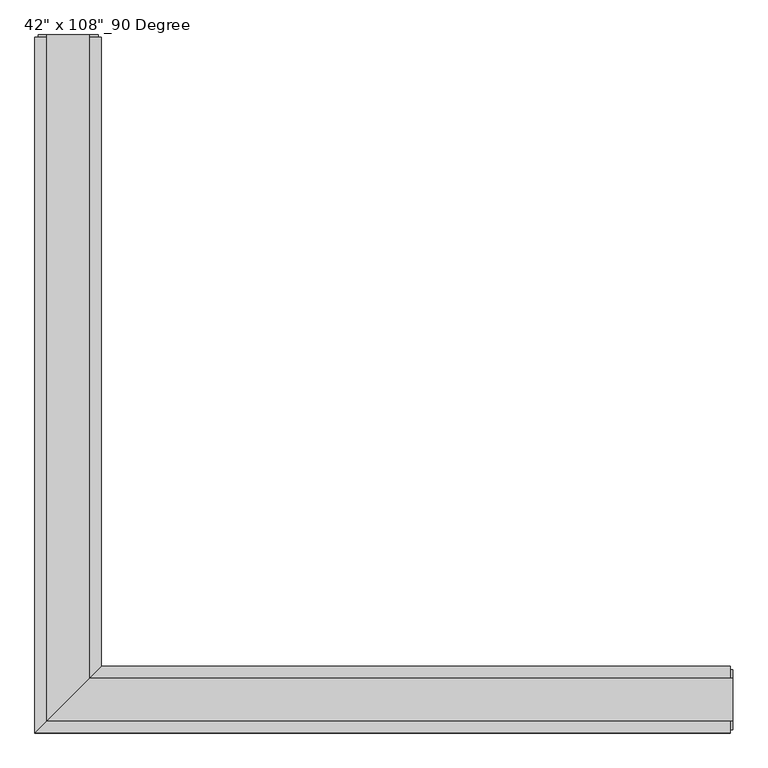
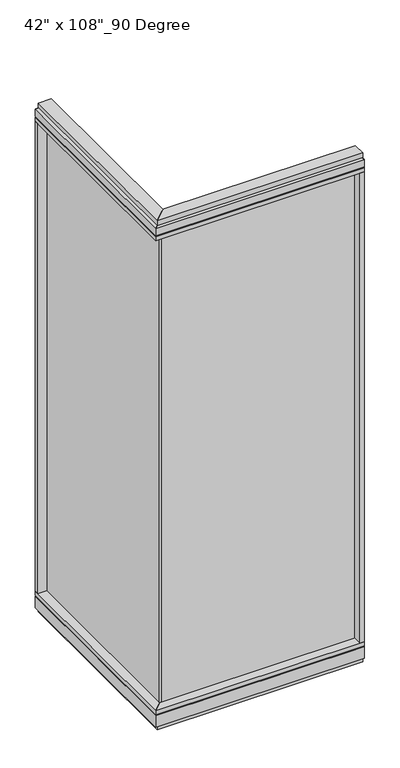
"""IFC4 building model written with IfcOpenShell, lengths in millimetres: furniture geometry."""

from ifc_helpers import new_model, si_unit, frame, origin, origin_with_axes, place, context, project, spatial, polyline, outline, extrude, faceted_brep, source, transform, mapped, element, save


def furniture_058fbf91(model_context):
    return source(origin(), model_context, "Body", "SolidModel", [
        extrude(outline(polyline([(-547.7165229, 985.3202784), (-537.5565229, 985.3202784), (-537.5565229, -9.5977216), (-547.7165229, -9.5977216), (-547.7165229, 985.3202784)])), frame((0.0, 0.0, 120.523), z_axis=(0.0, 0.0, 1.0), x_axis=(1.0, 0.0, 0.0)), (0.0, 0.0, 1.0), 2533.777),
        extrude(outline(polyline([(-491.8365229, 1007.5452784), (-491.8365229, 46.2822784), (-593.4365229, -55.3177216), (-593.4365229, 1007.5452784), (-491.8365229, 1007.5452784)])), frame((0.0, 0.0, 2654.3), z_axis=(0.0, 0.0, 1.0), x_axis=(1.0, 0.0, 0.0)), (0.0, 0.0, 1.0), 22.225),
        faceted_brep([(-491.8365229, 46.2822784, 2681.478), (-491.8365229, 46.2822784, 2717.8), (-593.4365229, -55.3177216, 2717.8), (-593.4365229, -55.3177216, 2681.478), (-588.4835229, -50.3647216, 2681.478), (-588.4835229, -50.3647216, 2676.525), (-496.7895229, 41.3292784, 2676.525), (-496.7895229, 41.3292784, 2681.478), (-491.8365229, 1007.5452784, 2681.478), (-496.7895229, 1007.5452784, 2681.478), (-496.7895229, 1007.5452784, 2676.525), (-588.4835229, 1007.5452784, 2676.525), (-588.4835229, 1007.5452784, 2681.478), (-593.4365229, 1007.5452784, 2681.478), (-593.4365229, 1007.5452784, 2717.8), (-491.8365229, 1007.5452784, 2717.8)], [[[0, 1, 2, 3, 4, 5, 6, 7]], [[8, 9, 10, 11, 12, 13, 14, 15]], [[8, 0, 7, 9]], [[13, 3, 2, 14]], [[14, 2, 1, 15]], [[15, 1, 0, 8]], [[9, 7, 6, 10]], [[10, 6, 5, 11]], [[11, 5, 4, 12]], [[12, 4, 3, 13]]]),
        extrude(outline(polyline([(-510.1245229, 1011.4822784), (-510.1245229, 27.9942784), (-575.1485229, -37.0297216), (-575.1485229, 1011.4822784), (-510.1245229, 1011.4822784)])), frame((0.0, 0.0, 2717.8), z_axis=(0.0, 0.0, 1.0), x_axis=(1.0, 0.0, 0.0)), (0.0, 0.0, 1.0), 25.4),
        faceted_brep([(-496.7895229, 41.3292784, 93.345), (-496.7895229, 41.3292784, 98.298), (-588.4835229, -50.3647216, 98.298), (-588.4835229, -50.3647216, 93.345), (-593.4365229, -55.3177216, 93.345), (-593.4365229, -55.3177216, 31.75), (-491.8365229, 46.2822784, 31.75), (-491.8365229, 46.2822784, 93.345), (-491.8365229, 1007.5452784, 93.345), (-491.8365229, 1007.5452784, 31.75), (-593.4365229, 1007.5452784, 31.75), (-593.4365229, 1007.5452784, 93.345), (-588.4835229, 1007.5452784, 93.345), (-588.4835229, 1007.5452784, 98.298), (-496.7895229, 1007.5452784, 98.298), (-496.7895229, 1007.5452784, 93.345)], [[[0, 1, 2, 3, 4, 5, 6, 7]], [[8, 9, 10, 11, 12, 13, 14, 15]], [[15, 0, 7, 8]], [[10, 5, 4, 11]], [[9, 6, 5, 10]], [[8, 7, 6, 9]], [[14, 1, 0, 15]], [[13, 2, 1, 14]], [[12, 3, 2, 13]], [[11, 4, 3, 12]]]),
        extrude(outline(polyline([(-491.8365229, 1007.5452784), (-491.8365229, 46.2822784), (-593.4365229, -55.3177216), (-593.4365229, 1007.5452784), (-491.8365229, 1007.5452784)])), frame((0.0, 0.0, 98.298), z_axis=(0.0, 0.0, 1.0), x_axis=(1.0, 0.0, 0.0)), (0.0, 0.0, 1.0), 22.225),
        extrude(outline(polyline([(-510.1245229, 1011.4822784), (-510.1245229, 27.9942784), (-575.1485229, -37.0297216), (-575.1485229, 1011.4822784), (-510.1245229, 1011.4822784)])), origin_with_axes(), (0.0, 0.0, 1.0), 31.75),
        extrude(outline(polyline([(-593.4365229, 985.3202784), (-593.4365229, 1007.5452784), (-491.8365229, 1007.5452784), (-491.8365229, 985.3202784), (-593.4365229, 985.3202784)])), frame((0.0, 0.0, 120.523), z_axis=(0.0, 0.0, 1.0), x_axis=(1.0, 0.0, 0.0)), (0.0, 0.0, 1.0), 2533.777),
        extrude(outline(polyline([(-588.4835229, 1011.4822784), (-496.7895229, 1011.4822784), (-496.7895229, 1007.5452784), (-588.4835229, 1007.5452784), (-588.4835229, 1011.4822784)])), frame((0.0, 0.0, 31.75), z_axis=(0.0, 0.0, 1.0), x_axis=(1.0, 0.0, 0.0)), (0.0, 0.0, 1.0), 2686.05),
        extrude(outline(polyline([(447.2014771, -9.5977216), (-547.7165229, -9.5977216), (-547.7165229, 0.5622784), (447.2014771, 0.5622784), (447.2014771, -9.5977216)])), frame((0.0, 0.0, 120.523), z_axis=(0.0, 0.0, 1.0), x_axis=(1.0, 0.0, 0.0)), (0.0, 0.0, 1.0), 2533.777),
        extrude(outline(polyline([(469.4264771, 46.2822784), (469.4264771, -55.3177216), (-593.4365229, -55.3177216), (-491.8365229, 46.2822784), (469.4264771, 46.2822784)])), frame((0.0, 0.0, 2654.3), z_axis=(0.0, 0.0, 1.0), x_axis=(1.0, 0.0, 0.0)), (0.0, 0.0, 1.0), 22.225),
        faceted_brep([(-491.8365229, 46.2822784, 2681.478), (-496.7895229, 41.3292784, 2681.478), (-496.7895229, 41.3292784, 2676.525), (-588.4835229, -50.3647216, 2676.525), (-588.4835229, -50.3647216, 2681.478), (-593.4365229, -55.3177216, 2681.478), (-593.4365229, -55.3177216, 2717.8), (-491.8365229, 46.2822784, 2717.8), (469.4264771, 46.2822784, 2681.478), (469.4264771, 46.2822784, 2717.8), (469.4264771, -55.3177216, 2717.8), (469.4264771, -55.3177216, 2681.478), (469.4264771, -50.3647216, 2681.478), (469.4264771, -50.3647216, 2676.525), (469.4264771, 41.3292784, 2676.525), (469.4264771, 41.3292784, 2681.478)], [[[0, 1, 2, 3, 4, 5, 6, 7]], [[8, 9, 10, 11, 12, 13, 14, 15]], [[8, 15, 1, 0]], [[11, 10, 6, 5]], [[10, 9, 7, 6]], [[9, 8, 0, 7]], [[15, 14, 2, 1]], [[14, 13, 3, 2]], [[13, 12, 4, 3]], [[12, 11, 5, 4]]]),
        extrude(outline(polyline([(473.3634771, 27.9942784), (473.3634771, -37.0297216), (-575.1485229, -37.0297216), (-510.1245229, 27.9942784), (473.3634771, 27.9942784)])), frame((0.0, 0.0, 2717.8), z_axis=(0.0, 0.0, 1.0), x_axis=(1.0, 0.0, 0.0)), (0.0, 0.0, 1.0), 25.4),
        faceted_brep([(-496.7895229, 41.3292784, 93.345), (-491.8365229, 46.2822784, 93.345), (-491.8365229, 46.2822784, 31.75), (-593.4365229, -55.3177216, 31.75), (-593.4365229, -55.3177216, 93.345), (-588.4835229, -50.3647216, 93.345), (-588.4835229, -50.3647216, 98.298), (-496.7895229, 41.3292784, 98.298), (469.4264771, 46.2822784, 93.345), (469.4264771, 41.3292784, 93.345), (469.4264771, 41.3292784, 98.298), (469.4264771, -50.3647216, 98.298), (469.4264771, -50.3647216, 93.345), (469.4264771, -55.3177216, 93.345), (469.4264771, -55.3177216, 31.75), (469.4264771, 46.2822784, 31.75)], [[[0, 1, 2, 3, 4, 5, 6, 7]], [[8, 9, 10, 11, 12, 13, 14, 15]], [[9, 8, 1, 0]], [[14, 13, 4, 3]], [[15, 14, 3, 2]], [[8, 15, 2, 1]], [[10, 9, 0, 7]], [[11, 10, 7, 6]], [[12, 11, 6, 5]], [[13, 12, 5, 4]]]),
        extrude(outline(polyline([(469.4264771, 46.2822784), (469.4264771, -55.3177216), (-593.4365229, -55.3177216), (-491.8365229, 46.2822784), (469.4264771, 46.2822784)])), frame((0.0, 0.0, 98.298), z_axis=(0.0, 0.0, 1.0), x_axis=(1.0, 0.0, 0.0)), (0.0, 0.0, 1.0), 22.225),
        extrude(outline(polyline([(473.3634771, 27.9942784), (473.3634771, -37.0297216), (-575.1485229, -37.0297216), (-510.1245229, 27.9942784), (473.3634771, 27.9942784)])), origin_with_axes(), (0.0, 0.0, 1.0), 31.75),
        extrude(outline(polyline([(447.2014771, -55.3177216), (447.2014771, 46.2822784), (469.4264771, 46.2822784), (469.4264771, -55.3177216), (447.2014771, -55.3177216)])), frame((0.0, 0.0, 120.523), z_axis=(0.0, 0.0, 1.0), x_axis=(1.0, 0.0, 0.0)), (0.0, 0.0, 1.0), 2533.777),
        extrude(outline(polyline([(473.3634771, -50.3647216), (469.4264771, -50.3647216), (469.4264771, 41.3292784), (473.3634771, 41.3292784), (473.3634771, -50.3647216)])), frame((0.0, 0.0, 31.75), z_axis=(0.0, 0.0, 1.0), x_axis=(1.0, 0.0, 0.0)), (0.0, 0.0, 1.0), 2686.05),
    ])


if __name__ == "__main__":
    model = new_model("IFC4")
    model_context = context("Model", 3, world=origin())
    ifc_project = project(units=[si_unit("LENGTHUNIT", "METRE", prefix="MILLI")], contexts=[model_context])
    site = spatial("IfcSite", under=ifc_project)
    building = spatial("IfcBuilding", under=site)
    placement = place(None, origin())
    furniture_shape = furniture_058fbf91(model_context)
    element("IfcFurniture", 1, ObjectType="42\" x 108\"_90 Degree", at=placement, inside=building, context=model_context, shape_type="MappedRepresentation", body=[
        mapped(furniture_shape, transform((0.0, 0.0, 0.0), x_axis=(1.0, 0.0, 0.0), y_axis=(0.0, 1.0, 0.0), z_axis=(0.0, 0.0, 1.0))),
    ])
    save(model, "model.ifc")
